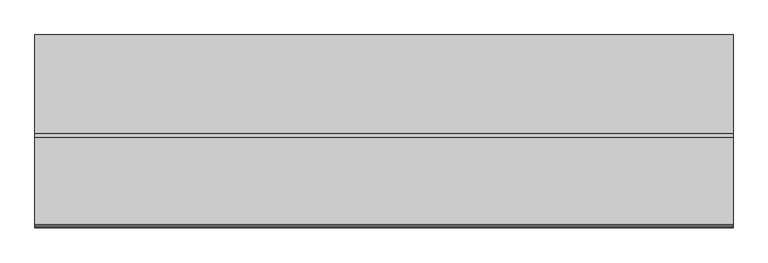
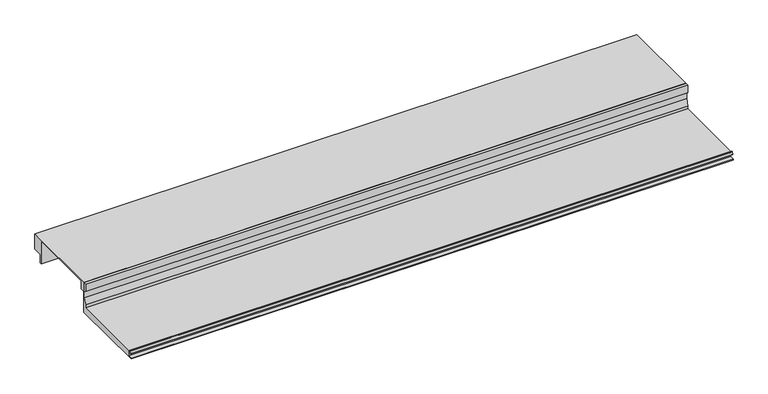
"""IFC4 building model written with IfcOpenShell, lengths in millimetres: proxy geometry."""

from ifc_helpers import new_model, si_unit, point, frame, frame_2d, origin, place, context, project, spatial, polyline, circle_curve, trimmed, segment, composite_curve, outline, extrude, source, transform, mapped, element, save


def specialty_equipment_3961ccf6(model_context):
    return source(origin(), model_context, "Body", "SweptSolid", [
        extrude(outline(polyline([(165.632524, 63.5), (337.082524, 63.5), (337.082524, 31.75), (317.7348677, 31.75), (317.7348677, 12.7), (315.4528365, 12.7), (315.4528365, 61.1898306), (175.284524, 61.1898306), (175.284524, 44.45), (165.632524, 44.45), (165.632524, 63.5)])), frame((0.0, 0.0, 0.0), z_axis=(1.0, 0.0, 0.0), x_axis=(0.0, 1.0, 0.0)), (0.0, 0.0, 1.0), 1219.2),
        extrude(outline(composite_curve([segment(polyline([(165.632524, 0.0), (0.0, 0.0), (0.0, 1.651), (8.368424, 1.7970714), (8.368424, 9.7466904)]), True, "CONTINUOUS"), segment(trimmed(circle_curve(frame_2d((7.805541, 9.7466904)), 0.562883), [point((8.368424, 9.7466904))], [point((7.805541, 10.3095735))], True, "CARTESIAN"), True, "CONTINUOUS"), segment(polyline([(7.805541, 10.3095735), (1.0402986, 10.3095735)]), True, "CONTINUOUS"), segment(trimmed(circle_curve(frame_2d((1.0402986, 10.8138628)), 0.5042893), [point((1.0402986, 10.3095735))], [point((0.5832573, 11.0269846))], False, "CARTESIAN"), True, "CONTINUOUS"), segment(polyline([(0.5832573, 11.0269846), (2.843924, 15.875), (5.206124, 15.875), (5.206124, 12.7), (159.282524, 12.7), (159.282524, 19.05), (163.346524, 31.75), (163.346524, 46.0298451), (158.495124, 48.3942822), (158.495124, 63.5), (165.632524, 63.5), (165.632524, 0.0)]), True, "CONTINUOUS")], self_intersect=False)), frame((0.0, 0.0, 0.0), z_axis=(1.0, 0.0, 0.0), x_axis=(0.0, 1.0, 0.0)), (0.0, 0.0, 1.0), 1219.2),
    ])


if __name__ == "__main__":
    model = new_model("IFC4")
    model_context = context("Model", 3, world=origin())
    ifc_project = project(units=[si_unit("LENGTHUNIT", "METRE", prefix="MILLI")], contexts=[model_context])
    site = spatial("IfcSite", under=ifc_project)
    building = spatial("IfcBuilding", under=site)
    placement = place(None, origin())
    specialty_equipment_shape = specialty_equipment_3961ccf6(model_context)
    element("IfcBuildingElementProxy", 1, Name="Specialty Equipment", at=placement, inside=building, context=model_context, shape_type="MappedRepresentation", body=[
        mapped(specialty_equipment_shape, transform((0.0, 0.0, 0.0), x_axis=(1.0, 0.0, 0.0), y_axis=(0.0, 1.0, 0.0), z_axis=(0.0, 0.0, 1.0))),
    ])
    save(model, "model.ifc")
